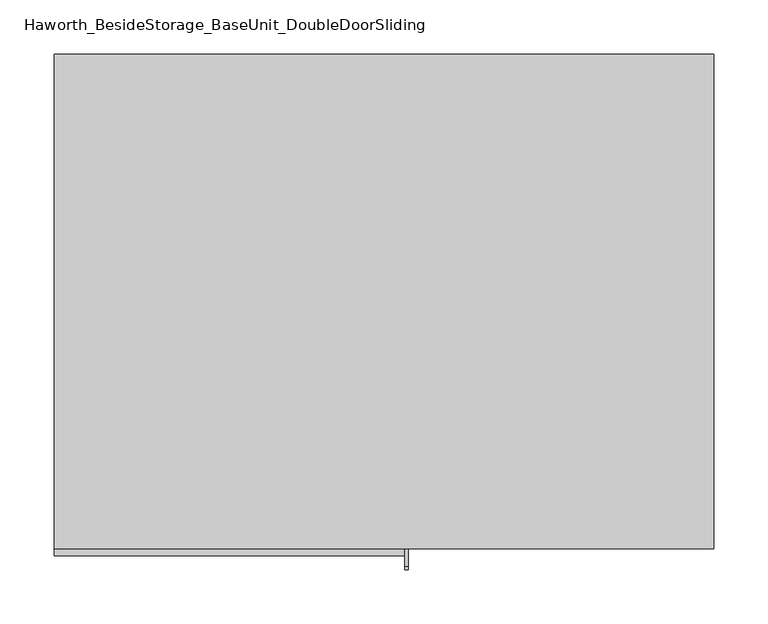
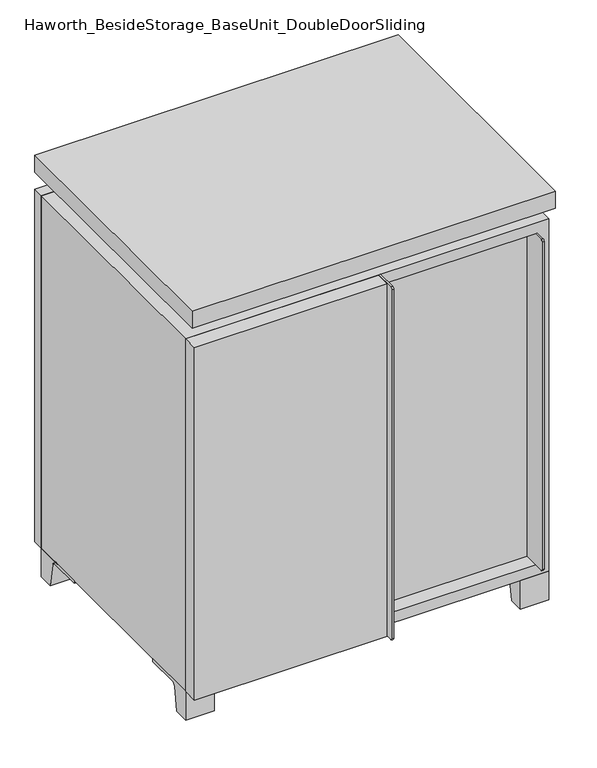
"""IFC4 building model written with IfcOpenShell, lengths in millimetres: furniture geometry, Haworth_BesideStorage_BaseUnit_DoubleDoorSliding."""

from ifc_helpers import new_model, si_unit, point, frame, frame_2d, origin, place, context, project, spatial, polyline, circle_curve, trimmed, segment, composite_curve, outline, extrude, faceted_brep, source, transform, mapped, element, save


def haworth_besidestorage_baseunit_doubledoorsliding_072dd33b(model_context):
    return source(origin(), model_context, "Body", "SolidModel", [
        extrude(outline(polyline([(9.5319453, 241.3), (285.7569453, 241.3), (285.7569453, -92.075), (9.5319453, -92.075), (9.5319453, 241.3)])), frame((0.0, 0.0, 354.0125), z_axis=(0.0, 0.0, 1.0), x_axis=(1.0, 0.0, 0.0)), (0.0, 0.0, 1.0), 19.05),
        extrude(outline(polyline([(-9.5041641, 241.3), (-9.5041641, -92.075), (-285.7291641, -92.075), (-285.7291641, 241.3), (-9.5041641, 241.3)])), frame((0.0, 0.0, 354.0125), z_axis=(0.0, 0.0, 1.0), x_axis=(1.0, 0.0, 0.0)), (0.0, 0.0, 1.0), 19.05),
        extrude(outline(composite_curve([segment(polyline([(-95.25, 657.225), (-95.25, 69.85), (-161.925, 69.85)]), True, "CONTINUOUS"), segment(trimmed(circle_curve(frame_2d((-161.925, 73.025)), 3.175), [point((-161.925, 69.85))], [point((-165.1, 73.025))], False, "CARTESIAN"), True, "CONTINUOUS"), segment(polyline([(-165.1, 73.025), (-165.1, 654.05)]), True, "CONTINUOUS"), segment(trimmed(circle_curve(frame_2d((-161.925, 654.05)), 3.175), [point((-165.1, 654.05))], [point((-161.925, 657.225))], False, "CARTESIAN"), True, "CONTINUOUS"), segment(polyline([(-161.925, 657.225), (-95.25, 657.225)]), True, "CONTINUOUS")], self_intersect=False)), frame((282.5819453, 0.0, 0.0), z_axis=(1.0, 0.0, 0.0), x_axis=(0.0, 1.0, 0.0)), (0.0, 0.0, 1.0), 3.175),
        extrude(outline(polyline([(15.8819453, -95.25), (282.5819453, -95.25), (282.5819453, -120.65), (15.8819453, -120.65), (15.8819453, -95.25)])), frame((0.0, 0.0, 69.85), z_axis=(0.0, 0.0, 1.0), x_axis=(1.0, 0.0, 0.0)), (0.0, 0.0, 1.0), 587.375),
        extrude(outline(polyline([(304.8138906, 292.1), (304.8138906, -165.1), (-304.7861094, -165.1), (-304.7861094, 292.1), (304.8138906, 292.1)])), frame((0.0, 0.0, 706.4375), z_axis=(0.0, 0.0, 1.0), x_axis=(1.0, 0.0, 0.0)), (0.0, 0.0, 1.0), 30.1625),
        extrude(outline(composite_curve([segment(polyline([(-146.05, 676.275), (-146.05, 50.8), (-180.975, 50.8)]), True, "CONTINUOUS"), segment(trimmed(circle_curve(frame_2d((-180.975, 53.975)), 3.175), [point((-180.975, 50.8))], [point((-184.15, 53.975))], False, "CARTESIAN"), True, "CONTINUOUS"), segment(polyline([(-184.15, 53.975), (-184.15, 673.1)]), True, "CONTINUOUS"), segment(trimmed(circle_curve(frame_2d((-180.975, 673.1)), 3.175), [point((-184.15, 673.1))], [point((-180.975, 676.275))], False, "CARTESIAN"), True, "CONTINUOUS"), segment(polyline([(-180.975, 676.275), (-146.05, 676.275)]), True, "CONTINUOUS")], self_intersect=False)), frame((19.0638906, 0.0, 0.0), z_axis=(1.0, 0.0, 0.0), x_axis=(0.0, 1.0, 0.0)), (0.0, 0.0, 1.0), 3.175),
        extrude(outline(polyline([(-304.7861094, -146.05), (19.0638906, -146.05), (19.0638906, -171.45), (-304.7861094, -171.45), (-304.7861094, -146.05)])), frame((0.0, 0.0, 50.8), z_axis=(0.0, 0.0, 1.0), x_axis=(1.0, 0.0, 0.0)), (0.0, 0.0, 1.0), 625.475),
        extrude(outline(composite_curve([segment(polyline([(-120.6500136, 0.0), (-146.05, 0.0), (-146.05, 50.8), (-50.8, 50.8), (-50.8, 46.0213321), (-107.6005345, 46.0213321)]), True, "CONTINUOUS"), segment(trimmed(circle_curve(frame_2d((-107.6005345, 39.6713321)), 6.35), [point((-107.6005345, 46.0213321))], [point((-113.8641359, 40.7152656))], True, "CARTESIAN"), True, "CONTINUOUS"), segment(polyline([(-113.8641359, 40.7152656), (-120.6500136, 0.0)]), True, "CONTINUOUS")], self_intersect=False)), frame((257.1888906, 0.0, 0.0), z_axis=(1.0, 0.0, 0.0), x_axis=(0.0, 1.0, 0.0)), (0.0, 0.0, 1.0), 47.625),
        extrude(outline(composite_curve([segment(polyline([(247.6500136, 0.0), (240.8641359, 40.7152656)]), True, "CONTINUOUS"), segment(trimmed(circle_curve(frame_2d((234.6005345, 39.6713321)), 6.35), [point((240.8641359, 40.7152656))], [point((234.6005345, 46.0213321))], True, "CARTESIAN"), True, "CONTINUOUS"), segment(polyline([(234.6005345, 46.0213321), (177.8, 46.0213321), (177.8, 50.8), (273.05, 50.8), (273.05, 0.0), (247.6500136, 0.0)]), True, "CONTINUOUS")], self_intersect=False)), frame((257.1888906, 0.0, 0.0), z_axis=(1.0, 0.0, 0.0), x_axis=(0.0, 1.0, 0.0)), (0.0, 0.0, 1.0), 47.625),
        extrude(outline(composite_curve([segment(polyline([(-120.6500136, 0.0), (-146.05, 0.0), (-146.05, 50.8), (-50.8, 50.8), (-50.8, 46.0213321), (-107.6005345, 46.0213321)]), True, "CONTINUOUS"), segment(trimmed(circle_curve(frame_2d((-107.6005345, 39.6713321)), 6.35), [point((-107.6005345, 46.0213321))], [point((-113.8641359, 40.7152656))], True, "CARTESIAN"), True, "CONTINUOUS"), segment(polyline([(-113.8641359, 40.7152656), (-120.6500136, 0.0)]), True, "CONTINUOUS")], self_intersect=False)), frame((-304.7861094, 0.0, 0.0), z_axis=(1.0, 0.0, 0.0), x_axis=(0.0, 1.0, 0.0)), (0.0, 0.0, 1.0), 47.625),
        extrude(outline(composite_curve([segment(polyline([(247.6500136, 0.0), (240.8641359, 40.7152656)]), True, "CONTINUOUS"), segment(trimmed(circle_curve(frame_2d((234.6005345, 39.6713321)), 6.35), [point((240.8641359, 40.7152656))], [point((234.6005345, 46.0213321))], True, "CARTESIAN"), True, "CONTINUOUS"), segment(polyline([(234.6005345, 46.0213321), (177.8, 46.0213321), (177.8, 50.8), (273.05, 50.8), (273.05, 0.0), (247.6500136, 0.0)]), True, "CONTINUOUS")], self_intersect=False)), frame((-304.7861094, 0.0, 0.0), z_axis=(1.0, 0.0, 0.0), x_axis=(0.0, 1.0, 0.0)), (0.0, 0.0, 1.0), 47.625),
        faceted_brep([(7.9513906, -120.65, 706.4375), (7.9513906, -120.65, 676.275), (7.9513906, 53.975, 676.275), (7.9513906, 53.975, 706.4375), (7.9513906, 247.65, 676.275), (7.9513906, 247.65, 706.4375), (7.9513906, 73.025, 706.4375), (7.9513906, 73.025, 676.275), (-7.9236094, 247.65, 706.4375), (-7.9236094, 247.65, 676.275), (-7.9236094, 73.025, 676.275), (-7.9236094, 73.025, 706.4375), (-7.9236094, -120.65, 676.275), (-7.9236094, -120.65, 706.4375), (-7.9236094, 53.975, 706.4375), (-7.9236094, 53.975, 676.275), (-263.4833281, 73.025, 706.4375), (-263.5041641, 247.65, 706.4375), (-279.3791641, 247.65, 706.4375), (-279.3791641, -120.65, 706.4375), (-263.5041641, -120.65, 706.4375), (-263.5041641, 53.975, 706.4375), (263.5111094, 53.975, 706.4375), (263.5111094, -120.65, 706.4375), (279.3861094, -120.65, 706.4375), (279.3861094, 247.65, 706.4375), (263.5111094, 247.65, 706.4375), (263.5111094, 73.025, 706.4375), (-263.4833281, 53.975, 676.275), (-263.5041641, -120.65, 676.275), (-279.3791641, -120.65, 676.275), (-279.3791641, 247.65, 676.275), (-263.5041641, 247.65, 676.275), (-263.5041641, 73.025, 676.275), (263.5111094, 73.025, 676.275), (263.5111094, 247.65, 676.275), (279.3861094, 247.65, 676.275), (279.3861094, -120.65, 676.275), (263.5111094, -120.65, 676.275), (263.5111094, 53.975, 676.275)], [[[0, 1, 2, 3]], [[4, 5, 6, 7]], [[8, 9, 10, 11]], [[12, 13, 14, 15]], [[5, 8, 11, 16, 17, 18, 19, 20, 21, 14, 13, 0, 3, 22, 23, 24, 25, 26, 27, 6]], [[1, 12, 15, 28, 29, 30, 31, 32, 33, 10, 9, 4, 7, 34, 35, 36, 37, 38, 39, 2]], [[5, 4, 9, 8]], [[1, 0, 13, 12]], [[6, 27, 34, 7]], [[22, 3, 2, 39]], [[20, 29, 28, 21]], [[32, 17, 16, 33]], [[18, 31, 30, 19]], [[29, 20, 19, 30]], [[17, 32, 31, 18]], [[26, 35, 34, 27]], [[38, 23, 22, 39]], [[25, 24, 37, 36]], [[23, 38, 37, 24]], [[35, 26, 25, 36]], [[16, 11, 10, 33]], [[14, 21, 28, 15]]]),
        extrude(outline(polyline([(9.5388906, 241.3), (9.5388906, -95.25), (-9.5111094, -95.25), (-9.5111094, 241.3), (9.5388906, 241.3)])), frame((0.0, 0.0, 69.85), z_axis=(0.0, 0.0, 1.0), x_axis=(1.0, 0.0, 0.0)), (0.0, 0.0, 1.0), 587.375),
        extrude(outline(polyline([(15.8888906, -88.9), (15.8888906, -146.05), (-9.5111094, -146.05), (-9.5111094, -120.65), (3.1888906, -120.65), (3.1888906, -88.9), (15.8888906, -88.9)])), frame((0.0, 0.0, 69.85), z_axis=(0.0, 0.0, 1.0), x_axis=(1.0, 0.0, 0.0)), (0.0, 0.0, 1.0), 587.375),
        extrude(outline(polyline([(304.8138906, 273.05), (-304.7861094, 273.05), (-304.7861094, 292.1), (304.8138906, 292.1), (304.8138906, 273.05)])), frame((0.0, 0.0, 50.8), z_axis=(0.0, 0.0, 1.0), x_axis=(1.0, 0.0, 0.0)), (0.0, 0.0, 1.0), 625.475),
        extrude(outline(polyline([(50.8, -304.7861094), (50.8, 304.8), (676.275, 304.8), (676.275, -304.7861094), (50.8, -304.7861094)]), holes=[polyline([(69.85, -285.7361094), (657.225, -285.7361094), (657.225, 285.7361094), (69.85, 285.7361094), (69.85, -285.7361094)])]), frame((0.0, -146.05, 0.0), z_axis=(0.0, 1.0, 0.0), x_axis=(0.0, 0.0, 1.0)), (0.0, 0.0, 1.0), 419.1),
        extrude(outline(polyline([(-285.7291641, 241.3), (-285.7291641, 247.65), (285.7569453, 247.65), (285.7569453, 241.3), (-285.7291641, 241.3)])), frame((0.0, 0.0, 69.85), z_axis=(0.0, 0.0, 1.0), x_axis=(1.0, 0.0, 0.0)), (0.0, 0.0, 1.0), 587.375),
    ])


if __name__ == "__main__":
    model = new_model("IFC4")
    model_context = context("Model", 3, world=origin())
    ifc_project = project(units=[si_unit("LENGTHUNIT", "METRE", prefix="MILLI")], contexts=[model_context])
    site = spatial("IfcSite", under=ifc_project)
    building = spatial("IfcBuilding", under=site)
    placement = place(None, origin())
    haworth_besidestorage_baseunit_doubledoorsliding_shape = haworth_besidestorage_baseunit_doubledoorsliding_072dd33b(model_context)
    element("IfcFurniture", 1, ObjectType="Haworth_BesideStorage_BaseUnit_DoubleDoorSliding", at=placement, inside=building, context=model_context, shape_type="MappedRepresentation", body=[
        mapped(haworth_besidestorage_baseunit_doubledoorsliding_shape, transform((0.0, 0.0, 0.0), x_axis=(1.0, 0.0, 0.0), y_axis=(0.0, 1.0, 0.0), z_axis=(0.0, 0.0, 1.0))),
    ])
    save(model, "model.ifc")
